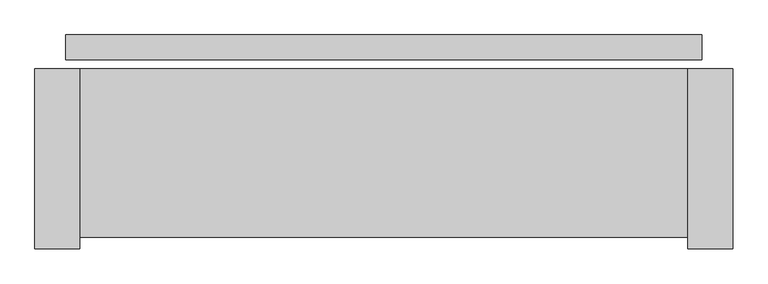
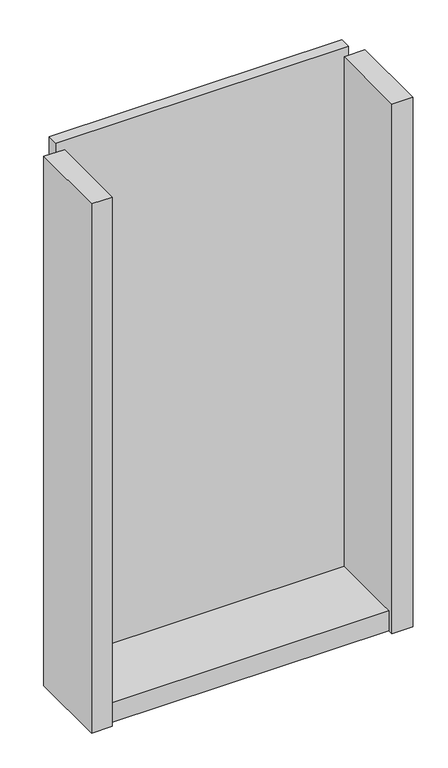
"""IFC4 building model written with IfcOpenShell, lengths in millimetres: plate geometry."""

from ifc_helpers import new_model, si_unit, frame, origin, origin_with_axes, place, context, project, spatial, polyline, outline, extrude, source, transform, mapped, element, save


def plate_40ff73f9(model_context):
    return source(origin(), model_context, "Body", "SweptSolid", [
        extrude(outline(polyline([(566.0, 0.0), (566.0, -44.0), (-566.0, -44.0), (-566.0, 0.0), (566.0, 0.0)])), origin_with_axes(), (0.0, 0.0, 1.0), 2132.0),
        extrude(outline(polyline([(-541.0, -60.0), (-541.0, -380.0), (-621.0, -380.0), (-621.0, -60.0), (-541.0, -60.0)])), frame((0.0, 0.0, -55.0), z_axis=(0.0, 0.0, 1.0), x_axis=(1.0, 0.0, 0.0)), (0.0, 0.0, 1.0), 2162.0),
        extrude(outline(polyline([(541.0, -360.0), (-541.0, -360.0), (-541.0, -60.0), (541.0, -60.0), (541.0, -360.0)])), frame((0.0, 0.0, -55.0), z_axis=(0.0, 0.0, 1.0), x_axis=(1.0, 0.0, 0.0)), (0.0, 0.0, 1.0), 80.0),
        extrude(outline(polyline([(621.0, -60.0), (621.0, -380.0), (541.0, -380.0), (541.0, -60.0), (621.0, -60.0)])), frame((0.0, 0.0, -55.0), z_axis=(0.0, 0.0, 1.0), x_axis=(1.0, 0.0, 0.0)), (0.0, 0.0, 1.0), 2162.0),
    ])


if __name__ == "__main__":
    model = new_model("IFC4")
    model_context = context("Model", 3, world=origin())
    ifc_project = project(units=[si_unit("LENGTHUNIT", "METRE", prefix="MILLI")], contexts=[model_context])
    site = spatial("IfcSite", under=ifc_project)
    building = spatial("IfcBuilding", under=site)
    placement = place(None, origin())
    plate_shape = plate_40ff73f9(model_context)
    element("IfcPlate", 1, at=placement, inside=building, context=model_context, shape_type="MappedRepresentation", body=[
        mapped(plate_shape, transform((0.0, 0.0, 0.0), x_axis=(1.0, 0.0, 0.0), y_axis=(0.0, 1.0, 0.0), z_axis=(0.0, 0.0, 1.0))),
    ])
    save(model, "model.ifc")
